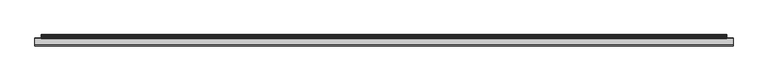
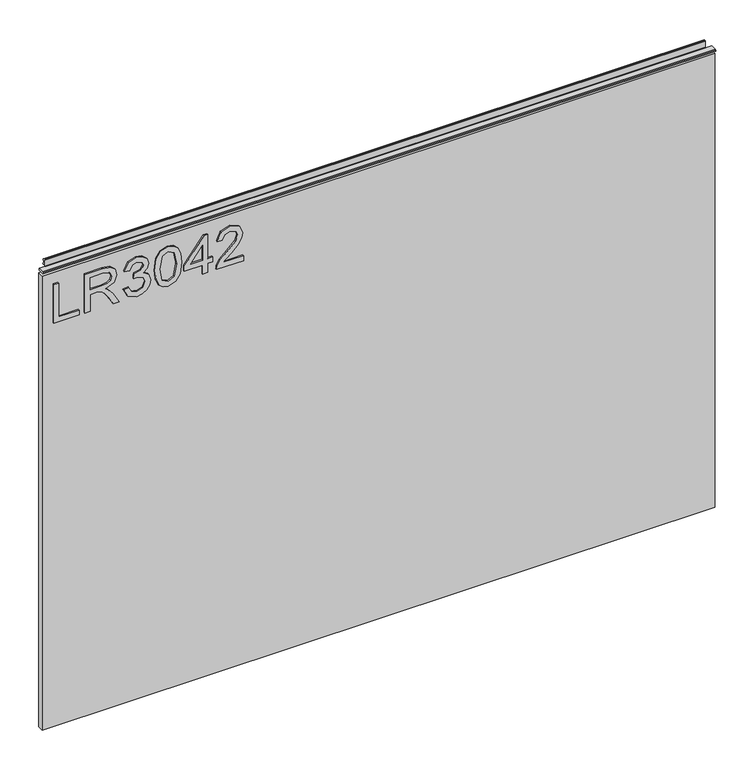
"""IFC4 building model written with IfcOpenShell, lengths in millimetres: furniture geometry."""

from ifc_helpers import new_model, si_unit, frame, origin, place, context, project, spatial, polyline, outline, extrude, source, transform, mapped, element, save


def furniture_8d6b7486(model_context):
    return source(origin(), model_context, "Body", "SweptSolid", [
        extrude(outline(polyline([(773.6078, -281.6939953), (773.6078, -241.8253972), (781.5815196, -241.8253972), (781.5815196, -273.7202757), (837.3975569, -273.7202757), (837.3975569, -281.6939953), (773.6078, -281.6939953)])), frame((0.0, -5.4626842, 0.0), z_axis=(0.0, 1.0, 0.0), x_axis=(0.0, 0.0, 1.0)), (0.0, 0.0, 1.0), 2.38125),
        extrude(outline(polyline([(773.6078, -232.8549627), (773.6078, -224.8812431), (801.5158187, -224.8812431), (801.5158187, -215.2567143), (801.2354926, -210.631334), (799.7170596, -206.8391451), (795.58225, -202.626467), (786.8298468, -196.6306036), (773.6078, -188.3298369), (773.6078, -179.0635026), (790.894575, -189.70032), (799.1018996, -196.1633935), (802.5125336, -200.6953318), (808.4461023, -187.3409088), (819.9394716, -183.0192151), (829.5873609, -185.627805), (835.6766663, -192.6048096), (837.3975569, -205.3674331), (837.3975569, -232.8549627), (773.6078, -232.8549627)]), holes=[polyline([(809.4895383, -224.8812431), (829.4238373, -224.8812431), (829.4238373, -205.0248124), (826.6672975, -194.3646345), (819.6435719, -190.9929347), (814.2317211, -192.7605464), (810.6186294, -197.9310052), (809.4895383, -207.0338159), (809.4895383, -224.8812431)])]), frame((0.0, -5.4626842, 0.0), z_axis=(0.0, 1.0, 0.0), x_axis=(0.0, 0.0, 1.0)), (0.0, 0.0, 1.0), 2.38125),
        extrude(outline(polyline([(790.5519542, -172.0553506), (777.6102335, -165.7168664), (772.611085, -151.7317098), (774.0750101, -143.2090182), (778.4667854, -136.2982017), (784.9610063, -131.7195424), (792.7322681, -130.1933226), (803.1043331, -133.2457621), (808.555118, -141.9358706), (813.8345925, -135.3949287), (821.1853653, -133.1834674), (829.2291664, -135.5117313), (835.2094562, -142.2395572), (837.3975569, -151.8562991), (832.9590607, -164.5332674), (820.4534028, -171.0586356), (819.4566878, -163.084916), (826.9320499, -159.1759246), (829.4238373, -151.5759731), (826.9554105, -144.0694636), (820.7181552, -141.1571871), (813.6788558, -145.1751942), (811.4829682, -155.5005382), (803.5092486, -156.3882374), (804.3813742, -150.7972895), (801.11869, -141.7334129), (792.8724312, -138.1670422), (784.120028, -141.7645602), (780.5848047, -151.4513837), (783.1544604, -159.6820689), (791.5486691, -164.081631), (790.5519542, -172.0553506)])), frame((0.0, -5.4626842, 0.0), z_axis=(0.0, 1.0, 0.0), x_axis=(0.0, 0.0, 1.0)), (0.0, 0.0, 1.0), 2.38125),
        extrude(outline(polyline([(804.9887473, -123.2163179), (789.4734775, -121.6278035), (778.6848168, -116.8622601), (774.129518, -110.570497), (772.611085, -102.2853039), (776.1073742, -90.6128374), (786.7130443, -83.6747669), (804.9887473, -81.3542899), (819.9784058, -82.8026413), (829.4160505, -86.5403224), (835.3418324, -92.9722486), (837.3975569, -102.2853039), (833.9246283, -113.9110494), (823.3423188, -120.8724804), (804.9887473, -123.2163179)]), holes=[polyline([(805.004321, -115.2425983), (825.1566514, -111.3803279), (829.4238373, -102.378746), (824.5804256, -92.9411012), (805.004321, -89.3280095), (785.2179718, -93.0656906), (780.5848047, -102.2853039), (785.2023982, -111.5049172), (805.004321, -115.2425983)])]), frame((0.0, -5.4626842, 0.0), z_axis=(0.0, 1.0, 0.0), x_axis=(0.0, 0.0, 1.0)), (0.0, 0.0, 1.0), 2.38125),
        extrude(outline(polyline([(773.6078, -48.4626965), (773.6078, -40.4889769), (788.5585243, -40.4889769), (788.5585243, -32.5152573), (796.5322439, -32.5152573), (796.5322439, -40.4889769), (836.400842, -40.4889769), (836.400842, -46.4692666), (796.5322439, -77.3674301), (788.5585243, -77.3674301), (788.5585243, -48.4626965), (773.6078, -48.4626965)]), holes=[polyline([(796.5322439, -48.4626965), (796.5322439, -67.5560173), (821.1697916, -48.4626965), (796.5322439, -48.4626965)])]), frame((0.0, -5.4626842, 0.0), z_axis=(0.0, 1.0, 0.0), x_axis=(0.0, 0.0, 1.0)), (0.0, 0.0, 1.0), 2.38125),
        extrude(outline(polyline([(781.5815196, 15.3270604), (781.5815196, -15.9915922), (785.6384609, -12.3940742), (793.308494, -3.2211819), (804.2334243, 8.2021059), (812.0514072, 12.9131414), (819.6124245, 14.3303455), (832.2893928, 9.0742315), (837.3975569, -5.1990381), (832.803324, -19.4255867), (819.4566878, -25.5382526), (818.4599729, -17.564533), (826.5115608, -14.2084069), (829.4238373, -5.3703485), (826.4414793, 3.1095154), (819.1296407, 6.3566259), (810.0969115, 2.9148446), (796.81257, -10.8522807), (787.5695962, -20.8350039), (779.1053059, -25.6784156), (773.6078, -26.5349676), (773.6078, 15.3270604), (781.5815196, 15.3270604)])), frame((0.0, -5.4626842, 0.0), z_axis=(0.0, 1.0, 0.0), x_axis=(0.0, 0.0, 1.0)), (0.0, 0.0, 1.0), 2.38125),
        extrude(outline(polyline([(5.5562561, 863.6), (6.3500061, 863.6), (6.3500061, 873.47425), (7.1437561, 874.268), (8.6677569, 874.268), (10.0084363, 873.8506926), (10.875413, 872.7461816), (10.9623604, 871.3447591), (10.2390011, 868.3863459), (10.4046103, 867.1833307), (11.6746103, 864.9836103), (10.7786383, 864.4663244), (7.1437561, 864.4663244), (7.1437561, 863.6), (6.3500061, 863.3669239), (6.3500061, 856.1578), (5.5562561, 856.1578), (5.5562561, 863.6)])), frame((-288.671, 0.0, 0.0), z_axis=(1.0, 0.0, 0.0), x_axis=(0.0, 1.0, 0.0)), (0.0, 0.0, 1.0), 1034.542),
        extrude(outline(polyline([(5.5562561, 863.6), (5.5562561, 860.4249996), (-3.975094, 860.4249996), (-5.3492339, 861.2183657), (-5.3492339, 862.8066395), (-3.9751037, 863.6), (5.5562561, 863.6)])), frame((-298.196, 0.0, 0.0), z_axis=(1.0, 0.0, 0.0), x_axis=(0.0, 1.0, 0.0)), (0.0, 0.0, 1.0), 1053.592),
        extrude(outline(polyline([(755.396, 6.3500061), (755.396, -3.1749939), (-298.196, -3.1749939), (-298.196, 6.3500061), (755.396, 6.3500061)])), frame((0.0, 0.0, 104.69626), z_axis=(0.0, 0.0, 1.0), x_axis=(1.0, 0.0, 0.0)), (0.0, 0.0, 1.0), 751.46154),
    ])


if __name__ == "__main__":
    model = new_model("IFC4")
    model_context = context("Model", 3, world=origin())
    ifc_project = project(units=[si_unit("LENGTHUNIT", "METRE", prefix="MILLI")], contexts=[model_context])
    site = spatial("IfcSite", under=ifc_project)
    building = spatial("IfcBuilding", under=site)
    placement = place(None, origin())
    furniture_shape = furniture_8d6b7486(model_context)
    element("IfcFurniture", 1, at=placement, inside=building, context=model_context, shape_type="MappedRepresentation", body=[
        mapped(furniture_shape, transform((0.0, 0.0, 0.0), x_axis=(1.0, 0.0, 0.0), y_axis=(0.0, 1.0, 0.0), z_axis=(0.0, 0.0, 1.0))),
    ])
    save(model, "model.ifc")
